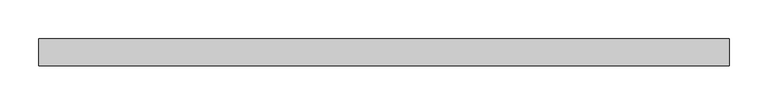
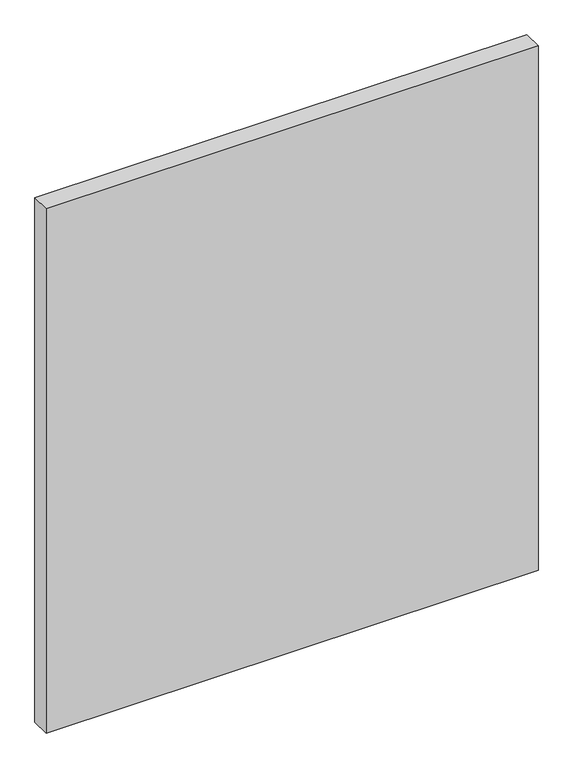
"""IFC4 building model written with IfcOpenShell, lengths in millimetres: plate geometry."""

from ifc_helpers import new_model, si_unit, origin, origin_with_axes, place, context, project, spatial, polyline, outline, extrude, source, transform, mapped, element, save


def plate_87363f34(model_context):
    return source(origin(), model_context, "Body", "SweptSolid", [
        extrude(outline(polyline([(445.5299082, -17.5), (-445.5299082, -17.5), (-445.5299082, 17.5), (445.5299082, 17.5), (445.5299082, -17.5)])), origin_with_axes(), (0.0, 0.0, 1.0), 1003.8125),
    ])


if __name__ == "__main__":
    model = new_model("IFC4")
    model_context = context("Model", 3, world=origin())
    ifc_project = project(units=[si_unit("LENGTHUNIT", "METRE", prefix="MILLI")], contexts=[model_context])
    site = spatial("IfcSite", under=ifc_project)
    building = spatial("IfcBuilding", under=site)
    placement = place(None, origin())
    plate_shape = plate_87363f34(model_context)
    element("IfcPlate", 1, at=placement, inside=building, context=model_context, shape_type="MappedRepresentation", body=[
        mapped(plate_shape, transform((0.0, 0.0, 0.0), x_axis=(1.0, 0.0, 0.0), y_axis=(0.0, 1.0, 0.0), z_axis=(0.0, 0.0, 1.0))),
    ])
    save(model, "model.ifc")
